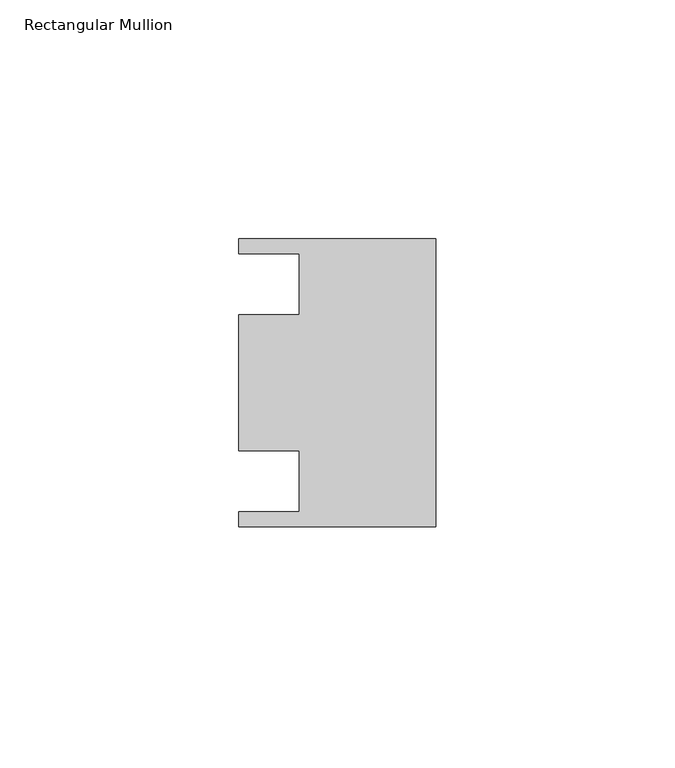
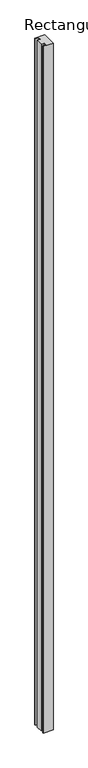
"""IFC4 building model written with IfcOpenShell, lengths in millimetres: member geometry, Rectangular Mullion."""

from ifc_helpers import new_model, si_unit, frame, origin, place, context, project, spatial, polyline, outline, extrude, source, transform, mapped, element, save


def rectangular_mullion_1ebd737f(model_context):
    return source(origin(), model_context, "Body", "SweptSolid", [
        extrude(outline(polyline([(0.0, -30.1625), (-41.275, -30.1625), (-41.275, -26.9875), (-28.575, -26.9875), (-28.575, -14.2875), (-41.275, -14.2875), (-41.275, 14.2875), (-28.575, 14.2875), (-28.575, 26.9875), (-41.275, 26.9875), (-41.275, 30.1625), (0.0, 30.1625), (0.0, -30.1625)])), frame((0.0, 0.0, -3048.0), z_axis=(0.0, 0.0, 1.0), x_axis=(1.0, 0.0, 0.0)), (0.0, 0.0, 1.0), 3048.0),
    ])


if __name__ == "__main__":
    model = new_model("IFC4")
    model_context = context("Model", 3, world=origin())
    ifc_project = project(units=[si_unit("LENGTHUNIT", "METRE", prefix="MILLI")], contexts=[model_context])
    site = spatial("IfcSite", under=ifc_project)
    building = spatial("IfcBuilding", under=site)
    placement = place(None, origin())
    rectangular_mullion_shape = rectangular_mullion_1ebd737f(model_context)
    element("IfcMember", 1, ObjectType="Rectangular Mullion", at=placement, inside=building, context=model_context, shape_type="MappedRepresentation", body=[
        mapped(rectangular_mullion_shape, transform((0.0, 0.0, 0.0), x_axis=(1.0, 0.0, 0.0), y_axis=(0.0, 1.0, 0.0), z_axis=(0.0, 0.0, 1.0))),
    ])
    save(model, "model.ifc")
